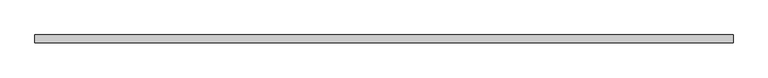
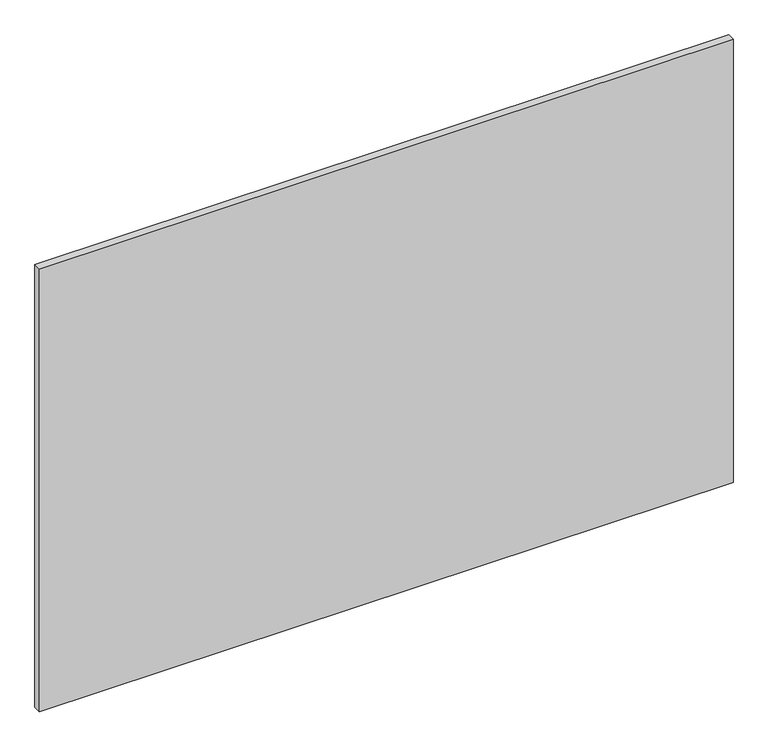
"""IFC4 building model written with IfcOpenShell, lengths in millimetres: plate geometry."""

import ifcopenshell
import ifcopenshell.guid

model = None  # the IFC model being written
_history = None  # IfcOwnerHistory: only IFC2X3 demands one
_inside = {}  # id of a spatial element -> (the spatial element, [elements in it])
_under = {}  # id of a project, library or spatial element -> (it, [spatial elements below it])
_declared = {}  # id of a project -> (the project, [libraries it declares])
_typed = {}  # id of a type object -> (the type object, [elements of that type])
_made_of = {}  # id of a material, layer set ... -> (it, [elements and type objects made of it])


def new_model(schema):
    """Start an empty IFC model of exactly this schema.

    Asked for "IFC4X3", IfcOpenShell would pick the latest addendum, in which some entities
    have other attributes; the version numbers below select the first issue.
    IFC2X3 requires an IfcOwnerHistory on every rooted entity: one is made here for all.
    """
    global model, _history
    if schema == "IFC4X3":
        model = ifcopenshell.file(schema_version=(4, 3, 0, 0))
    else:
        model = ifcopenshell.file(schema=schema)
    _inside.clear()
    _under.clear()
    _declared.clear()
    _typed.clear()
    _made_of.clear()
    _history = None
    if model.schema == "IFC2X3":
        org = make("IfcOrganization", Name="unknown")
        user = make(
            "IfcPersonAndOrganization",
            ThePerson=make("IfcPerson", FamilyName="unknown"),
            TheOrganization=org,
        )
        app = make(
            "IfcApplication",
            ApplicationDeveloper=org,
            Version="unknown",
            ApplicationFullName="unknown",
            ApplicationIdentifier="unknown",
        )
        _history = make(
            "IfcOwnerHistory",
            OwningUser=user,
            OwningApplication=app,
            ChangeAction="ADDED",
            CreationDate=0,
        )
    return model


def make(cls, **values):
    """One entity of the class cls with the attributes given. An attribute that is None is left unset."""
    return model.create_entity(
        cls, **{name: value for name, value in values.items() if value is not None}
    )


def rooted(cls, **values):
    """An entity with a GlobalId (a new one), such as an element, a storey or a relation."""
    return make(cls, GlobalId=ifcopenshell.guid.new(), OwnerHistory=_history, **values)


def si_unit(unit_type, name, prefix=None):
    """IfcSIUnit, for example si_unit("LENGTHUNIT", "METRE", prefix="MILLI")."""
    return make("IfcSIUnit", UnitType=unit_type, Prefix=prefix, Name=name)


def assignment(units):
    """IfcUnitAssignment: the units of a project."""
    return None if units is None else make("IfcUnitAssignment", Units=units)


def point(xyz):
    """IfcCartesianPoint."""
    return None if xyz is None else make("IfcCartesianPoint", Coordinates=xyz)


def direction(xyz):
    """IfcDirection."""
    return None if xyz is None else make("IfcDirection", DirectionRatios=xyz)


def frame(location, z_axis=None, x_axis=None):
    """IfcAxis2Placement3D, a coordinate frame: its origin and axes. An axis left out is left unset."""
    return make(
        "IfcAxis2Placement3D",
        Location=point(location),
        Axis=direction(z_axis),
        RefDirection=direction(x_axis),
    )


def origin():
    """The frame at (0, 0, 0) with its axes left unset."""
    return frame((0.0, 0.0, 0.0))


def origin_with_axes():
    """The frame at (0, 0, 0) with the z axis (0, 0, 1) and the x axis (1, 0, 0) written out."""
    return frame((0.0, 0.0, 0.0), z_axis=(0.0, 0.0, 1.0), x_axis=(1.0, 0.0, 0.0))


def place(relative_to, where):
    """IfcLocalPlacement: puts the frame where relative to a parent placement (None: the world)."""
    return make(
        "IfcLocalPlacement", PlacementRelTo=relative_to, RelativePlacement=where
    )


def context(
    kind, dimensions, precision=None, world=None, true_north=None, identifier=None
):
    """IfcGeometricRepresentationContext, for example the 3D "Model" context."""
    return make(
        "IfcGeometricRepresentationContext",
        ContextIdentifier=identifier,
        ContextType=kind,
        CoordinateSpaceDimension=dimensions,
        Precision=precision,
        WorldCoordinateSystem=world,
        TrueNorth=true_north,
    )


def project(units=None, contexts=None):
    """IfcProject with its units and contexts."""
    return rooted(
        "IfcProject",
        Name="project",
        RepresentationContexts=contexts,
        UnitsInContext=assignment(units),
    )


def spatial(cls, under=None, at=None, **own):
    """A site, building, storey or space (cls), placed at a placement, below another one or the project."""
    s = rooted(cls, ObjectPlacement=at, **own)
    if under is not None:
        _under.setdefault(under.id(), (under, []))[1].append(s)
    return s


def polyline(points):
    """IfcPolyline through the points."""
    return make("IfcPolyline", Points=[point(p) for p in points])


def outline(outer, holes=None, kind="AREA"):
    """IfcArbitraryClosedProfileDef: a profile drawn as a closed curve; with holes, ...WithVoids."""
    if holes is None:
        return make("IfcArbitraryClosedProfileDef", ProfileType=kind, OuterCurve=outer)
    return make(
        "IfcArbitraryProfileDefWithVoids",
        ProfileType=kind,
        OuterCurve=outer,
        InnerCurves=holes,
    )


def extrude(swept, where, along, depth):
    """IfcExtrudedAreaSolid: the profile swept, set in the frame where, extruded along a direction by depth."""
    return make(
        "IfcExtrudedAreaSolid",
        SweptArea=swept,
        Position=where,
        ExtrudedDirection=direction(along),
        Depth=depth,
    )


def shape(context_of_items, identifier, shape_type, items):
    """IfcShapeRepresentation: the items that make up one representation, for example the "Body"."""
    return make(
        "IfcShapeRepresentation",
        ContextOfItems=context_of_items,
        RepresentationIdentifier=identifier,
        RepresentationType=shape_type,
        Items=items,
    )


def source(mapping_origin, context_of_items, identifier, shape_type, items):
    """IfcRepresentationMap: a shape defined once, which mapped items show again and again."""
    return make(
        "IfcRepresentationMap",
        MappingOrigin=mapping_origin,
        MappedRepresentation=shape(context_of_items, identifier, shape_type, items),
    )


def transform(
    local_origin,
    x_axis=None,
    y_axis=None,
    z_axis=None,
    scale=None,
    scale2=None,
    scale3=None,
    uniform=True,
):
    """IfcCartesianTransformationOperator3D, or its non-uniform kind. x_axis, y_axis, z_axis: its Axis1, 2, 3."""
    if uniform:
        return make(
            "IfcCartesianTransformationOperator3D",
            Axis1=direction(x_axis),
            Axis2=direction(y_axis),
            LocalOrigin=point(local_origin),
            Scale=scale,
            Axis3=direction(z_axis),
        )
    return make(
        "IfcCartesianTransformationOperator3DnonUniform",
        Axis1=direction(x_axis),
        Axis2=direction(y_axis),
        LocalOrigin=point(local_origin),
        Scale=scale,
        Axis3=direction(z_axis),
        Scale2=scale2,
        Scale3=scale3,
    )


def mapped(mapping_source, mapping_target):
    """IfcMappedItem: shows the shape of a source again, moved by a transform."""
    return make(
        "IfcMappedItem", MappingSource=mapping_source, MappingTarget=mapping_target
    )


def made_of(thing, what):
    """Note that an element or type object is made of a material, layer set ...; save() writes the relation."""
    if what is not None:
        _made_of.setdefault(what.id(), (what, []))[1].append(thing)
    return thing


def element(
    cls,
    number,
    at=None,
    inside=None,
    cuts=None,
    type_object=None,
    material=None,
    context=None,
    identifier="Body",
    shape_type=None,
    held_by="IfcProductDefinitionShape",
    body=None,
    shapes=None,
    **own,
):
    """One element of the class cls, such as IfcWall. Its Tag is "e" and its number.

    at: its placement. inside: the storey or other place that contains it. cuts: it is an
    opening in that element (IfcRelVoidsElement). A single representation is given by context,
    identifier, shape_type and body (its items); several are given by shapes. held_by: the class
    of the entity that holds the representations. save() writes the other relations.
    """
    e = rooted(cls, Tag="e%d" % number, ObjectPlacement=at, **own)
    if body is not None:
        shapes = [shape(context, identifier, shape_type, body)]
    if shapes is not None:
        e.Representation = make(held_by, Representations=shapes)
    if inside is not None:
        _inside.setdefault(inside.id(), (inside, []))[1].append(e)
    if cuts is not None:
        rooted(
            "IfcRelVoidsElement", RelatingBuildingElement=cuts, RelatedOpeningElement=e
        )
    if type_object is not None:
        _typed.setdefault(type_object.id(), (type_object, []))[1].append(e)
    return made_of(e, material)


def aggregate(whole, parts):
    """IfcRelAggregates: a whole, such as a stair, and the parts it consists of."""
    return rooted("IfcRelAggregates", RelatingObject=whole, RelatedObjects=parts)


def save(model, path):
    """Write the relations noted so far, then the file.

    IfcRelAggregates (storeys below a building ...), IfcRelContainedInSpatialStructure (elements
    in a storey), IfcRelDefinesByType, IfcRelAssociatesMaterial and IfcRelDeclares: one each for
    every whole, place, type object, material and project.
    """
    for whole, parts in _under.values():
        aggregate(whole, parts)
    for where, things in _inside.values():
        rooted(
            "IfcRelContainedInSpatialStructure",
            RelatedElements=things,
            RelatingStructure=where,
        )
    for kind, things in _typed.values():
        rooted("IfcRelDefinesByType", RelatedObjects=things, RelatingType=kind)
    for what, things in _made_of.values():
        rooted("IfcRelAssociatesMaterial", RelatedObjects=things, RelatingMaterial=what)
    for by, libraries in _declared.values():
        rooted("IfcRelDeclares", RelatingContext=by, RelatedDefinitions=libraries)
    model.write(path)


def plate_505988d8(model_context):
    return source(origin(), model_context, "Body", "SweptSolid", [
        extrude(outline(polyline([(616.65, -40.2), (-616.65, -40.2), (-616.65, -26.2), (616.65, -26.2), (616.65, -40.2)])), origin_with_axes(), (0.0, 0.0, 1.0), 833.3),
    ])


if __name__ == "__main__":
    model = new_model("IFC4")
    model_context = context("Model", 3, world=origin())
    ifc_project = project(units=[si_unit("LENGTHUNIT", "METRE", prefix="MILLI")], contexts=[model_context])
    site = spatial("IfcSite", under=ifc_project)
    building = spatial("IfcBuilding", under=site)
    placement = place(None, origin())
    plate_shape = plate_505988d8(model_context)
    element("IfcPlate", 1, at=placement, inside=building, context=model_context, shape_type="MappedRepresentation", body=[
        mapped(plate_shape, transform((0.0, 0.0, 0.0), x_axis=(1.0, 0.0, 0.0), y_axis=(0.0, 1.0, 0.0), z_axis=(0.0, 0.0, 1.0))),
    ])
    save(model, "model.ifc")
